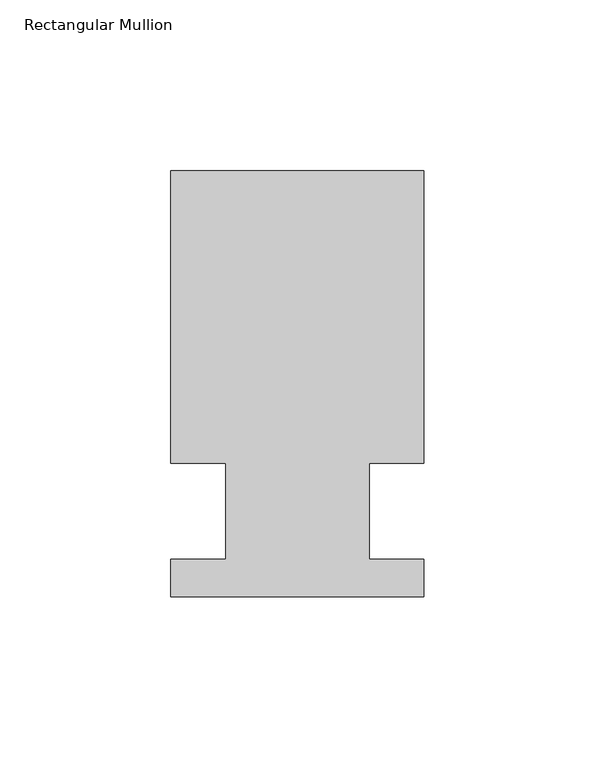
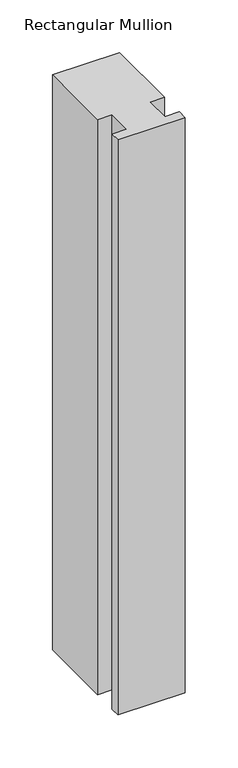
"""IFC4 building model written with IfcOpenShell, lengths in millimetres: member geometry, Rectangular Mullion."""

from ifc_helpers import new_model, si_unit, frame, origin, place, context, project, spatial, polyline, outline, extrude, source, transform, mapped, element, save


def rectangular_mullion_e82da016(model_context):
    return source(origin(), model_context, "Body", "SweptSolid", [
        extrude(outline(polyline([(-20.9800745, 13.9998907), (-37.0, 13.9998907), (-37.0, 99.5), (37.0, 99.5), (37.0, 13.9998907), (20.9800745, 13.9998907), (20.9800745, -14.0), (36.9800745, -14.0), (36.9800745, -25.0), (-37.0, -25.0), (-37.0, -14.0), (-20.9800745, -14.0), (-20.9800745, 13.9998907)])), frame((0.0, 0.0, -668.1000095), z_axis=(0.0, 0.0, 1.0), x_axis=(1.0, 0.0, 0.0)), (0.0, 0.0, 1.0), 668.1000095),
    ])


if __name__ == "__main__":
    model = new_model("IFC4")
    model_context = context("Model", 3, world=origin())
    ifc_project = project(units=[si_unit("LENGTHUNIT", "METRE", prefix="MILLI")], contexts=[model_context])
    site = spatial("IfcSite", under=ifc_project)
    building = spatial("IfcBuilding", under=site)
    placement = place(None, origin())
    rectangular_mullion_shape = rectangular_mullion_e82da016(model_context)
    element("IfcMember", 1, ObjectType="Rectangular Mullion", at=placement, inside=building, context=model_context, shape_type="MappedRepresentation", body=[
        mapped(rectangular_mullion_shape, transform((0.0, 0.0, 0.0), x_axis=(1.0, 0.0, 0.0), y_axis=(0.0, 1.0, 0.0), z_axis=(0.0, 0.0, 1.0))),
    ])
    save(model, "model.ifc")
